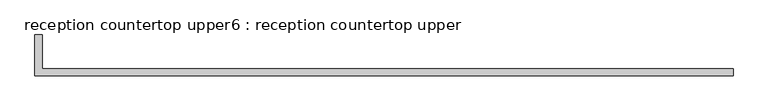
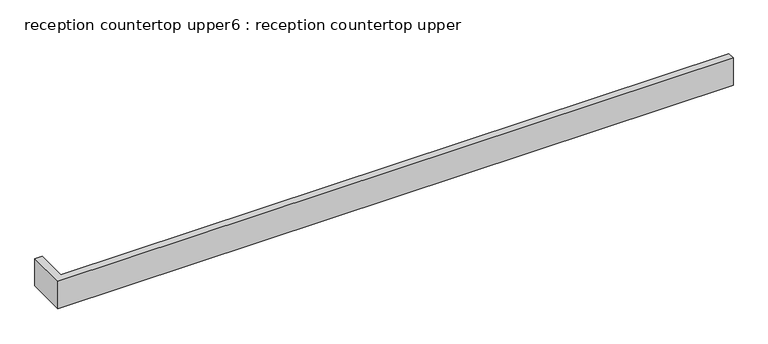
"""IFC4 building model written with IfcOpenShell, lengths in millimetres: furniture geometry, reception countertop upper6 : reception countertop upper."""

from ifc_helpers import new_model, si_unit, frame, origin, place, context, project, spatial, polyline, outline, extrude, source, transform, mapped, element, save


def reception_countertop_upper6_reception_countertop_upper_2248fcfc(model_context):
    return source(origin(), model_context, "Body", "SweptSolid", [
        extrude(outline(polyline([(34683.7, 1612.9), (32308.8, 1612.9), (32308.8, 1752.6), (32334.2, 1752.6), (32334.2, 1638.3), (34683.7, 1638.3), (34683.7, 1612.9)])), frame((0.0, 0.0, 927.1), z_axis=(0.0, 0.0, 1.0), x_axis=(1.0, 0.0, 0.0)), (0.0, 0.0, 1.0), 101.6),
    ])


if __name__ == "__main__":
    model = new_model("IFC4")
    model_context = context("Model", 3, world=origin())
    ifc_project = project(units=[si_unit("LENGTHUNIT", "METRE", prefix="MILLI")], contexts=[model_context])
    site = spatial("IfcSite", under=ifc_project)
    building = spatial("IfcBuilding", under=site)
    placement = place(None, origin())
    reception_countertop_upper6_reception_countertop_upper_shape = reception_countertop_upper6_reception_countertop_upper_2248fcfc(model_context)
    element("IfcFurniture", 1, ObjectType="reception countertop upper6 : reception countertop upper", at=placement, inside=building, context=model_context, shape_type="MappedRepresentation", body=[
        mapped(reception_countertop_upper6_reception_countertop_upper_shape, transform((0.0, 0.0, 0.0), x_axis=(1.0, 0.0, 0.0), y_axis=(0.0, 1.0, 0.0), z_axis=(0.0, 0.0, 1.0))),
    ])
    save(model, "model.ifc")
